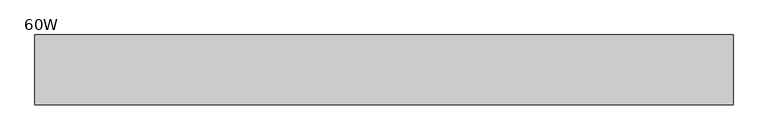
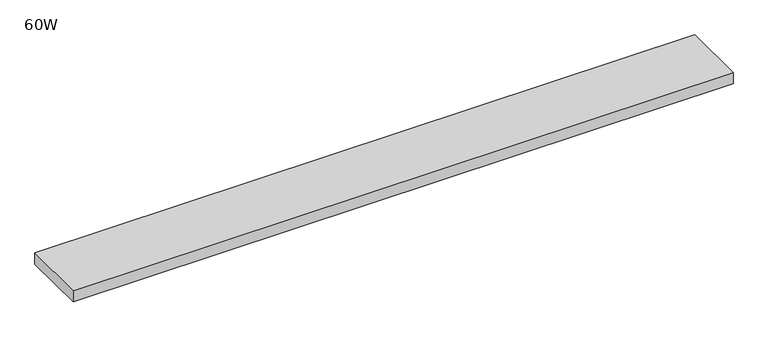
"""IFC4 building model written with IfcOpenShell, lengths in millimetres: furniture geometry, 60W."""

import ifcopenshell
import ifcopenshell.guid

model = None  # the IFC model being written
_history = None  # IfcOwnerHistory: only IFC2X3 demands one
_inside = {}  # id of a spatial element -> (the spatial element, [elements in it])
_under = {}  # id of a project, library or spatial element -> (it, [spatial elements below it])
_declared = {}  # id of a project -> (the project, [libraries it declares])
_typed = {}  # id of a type object -> (the type object, [elements of that type])
_made_of = {}  # id of a material, layer set ... -> (it, [elements and type objects made of it])


def new_model(schema):
    """Start an empty IFC model of exactly this schema.

    Asked for "IFC4X3", IfcOpenShell would pick the latest addendum, in which some entities
    have other attributes; the version numbers below select the first issue.
    IFC2X3 requires an IfcOwnerHistory on every rooted entity: one is made here for all.
    """
    global model, _history
    if schema == "IFC4X3":
        model = ifcopenshell.file(schema_version=(4, 3, 0, 0))
    else:
        model = ifcopenshell.file(schema=schema)
    _inside.clear()
    _under.clear()
    _declared.clear()
    _typed.clear()
    _made_of.clear()
    _history = None
    if model.schema == "IFC2X3":
        org = make("IfcOrganization", Name="unknown")
        user = make(
            "IfcPersonAndOrganization",
            ThePerson=make("IfcPerson", FamilyName="unknown"),
            TheOrganization=org,
        )
        app = make(
            "IfcApplication",
            ApplicationDeveloper=org,
            Version="unknown",
            ApplicationFullName="unknown",
            ApplicationIdentifier="unknown",
        )
        _history = make(
            "IfcOwnerHistory",
            OwningUser=user,
            OwningApplication=app,
            ChangeAction="ADDED",
            CreationDate=0,
        )
    return model


def make(cls, **values):
    """One entity of the class cls with the attributes given. An attribute that is None is left unset."""
    return model.create_entity(
        cls, **{name: value for name, value in values.items() if value is not None}
    )


def rooted(cls, **values):
    """An entity with a GlobalId (a new one), such as an element, a storey or a relation."""
    return make(cls, GlobalId=ifcopenshell.guid.new(), OwnerHistory=_history, **values)


def si_unit(unit_type, name, prefix=None):
    """IfcSIUnit, for example si_unit("LENGTHUNIT", "METRE", prefix="MILLI")."""
    return make("IfcSIUnit", UnitType=unit_type, Prefix=prefix, Name=name)


def assignment(units):
    """IfcUnitAssignment: the units of a project."""
    return None if units is None else make("IfcUnitAssignment", Units=units)


def point(xyz):
    """IfcCartesianPoint."""
    return None if xyz is None else make("IfcCartesianPoint", Coordinates=xyz)


def direction(xyz):
    """IfcDirection."""
    return None if xyz is None else make("IfcDirection", DirectionRatios=xyz)


def frame(location, z_axis=None, x_axis=None):
    """IfcAxis2Placement3D, a coordinate frame: its origin and axes. An axis left out is left unset."""
    return make(
        "IfcAxis2Placement3D",
        Location=point(location),
        Axis=direction(z_axis),
        RefDirection=direction(x_axis),
    )


def origin():
    """The frame at (0, 0, 0) with its axes left unset."""
    return frame((0.0, 0.0, 0.0))


def place(relative_to, where):
    """IfcLocalPlacement: puts the frame where relative to a parent placement (None: the world)."""
    return make(
        "IfcLocalPlacement", PlacementRelTo=relative_to, RelativePlacement=where
    )


def context(
    kind, dimensions, precision=None, world=None, true_north=None, identifier=None
):
    """IfcGeometricRepresentationContext, for example the 3D "Model" context."""
    return make(
        "IfcGeometricRepresentationContext",
        ContextIdentifier=identifier,
        ContextType=kind,
        CoordinateSpaceDimension=dimensions,
        Precision=precision,
        WorldCoordinateSystem=world,
        TrueNorth=true_north,
    )


def project(units=None, contexts=None):
    """IfcProject with its units and contexts."""
    return rooted(
        "IfcProject",
        Name="project",
        RepresentationContexts=contexts,
        UnitsInContext=assignment(units),
    )


def spatial(cls, under=None, at=None, **own):
    """A site, building, storey or space (cls), placed at a placement, below another one or the project."""
    s = rooted(cls, ObjectPlacement=at, **own)
    if under is not None:
        _under.setdefault(under.id(), (under, []))[1].append(s)
    return s


def polyline(points):
    """IfcPolyline through the points."""
    return make("IfcPolyline", Points=[point(p) for p in points])


def outline(outer, holes=None, kind="AREA"):
    """IfcArbitraryClosedProfileDef: a profile drawn as a closed curve; with holes, ...WithVoids."""
    if holes is None:
        return make("IfcArbitraryClosedProfileDef", ProfileType=kind, OuterCurve=outer)
    return make(
        "IfcArbitraryProfileDefWithVoids",
        ProfileType=kind,
        OuterCurve=outer,
        InnerCurves=holes,
    )


def extrude(swept, where, along, depth):
    """IfcExtrudedAreaSolid: the profile swept, set in the frame where, extruded along a direction by depth."""
    return make(
        "IfcExtrudedAreaSolid",
        SweptArea=swept,
        Position=where,
        ExtrudedDirection=direction(along),
        Depth=depth,
    )


def shape(context_of_items, identifier, shape_type, items):
    """IfcShapeRepresentation: the items that make up one representation, for example the "Body"."""
    return make(
        "IfcShapeRepresentation",
        ContextOfItems=context_of_items,
        RepresentationIdentifier=identifier,
        RepresentationType=shape_type,
        Items=items,
    )


def source(mapping_origin, context_of_items, identifier, shape_type, items):
    """IfcRepresentationMap: a shape defined once, which mapped items show again and again."""
    return make(
        "IfcRepresentationMap",
        MappingOrigin=mapping_origin,
        MappedRepresentation=shape(context_of_items, identifier, shape_type, items),
    )


def transform(
    local_origin,
    x_axis=None,
    y_axis=None,
    z_axis=None,
    scale=None,
    scale2=None,
    scale3=None,
    uniform=True,
):
    """IfcCartesianTransformationOperator3D, or its non-uniform kind. x_axis, y_axis, z_axis: its Axis1, 2, 3."""
    if uniform:
        return make(
            "IfcCartesianTransformationOperator3D",
            Axis1=direction(x_axis),
            Axis2=direction(y_axis),
            LocalOrigin=point(local_origin),
            Scale=scale,
            Axis3=direction(z_axis),
        )
    return make(
        "IfcCartesianTransformationOperator3DnonUniform",
        Axis1=direction(x_axis),
        Axis2=direction(y_axis),
        LocalOrigin=point(local_origin),
        Scale=scale,
        Axis3=direction(z_axis),
        Scale2=scale2,
        Scale3=scale3,
    )


def mapped(mapping_source, mapping_target):
    """IfcMappedItem: shows the shape of a source again, moved by a transform."""
    return make(
        "IfcMappedItem", MappingSource=mapping_source, MappingTarget=mapping_target
    )


def made_of(thing, what):
    """Note that an element or type object is made of a material, layer set ...; save() writes the relation."""
    if what is not None:
        _made_of.setdefault(what.id(), (what, []))[1].append(thing)
    return thing


def element(
    cls,
    number,
    at=None,
    inside=None,
    cuts=None,
    type_object=None,
    material=None,
    context=None,
    identifier="Body",
    shape_type=None,
    held_by="IfcProductDefinitionShape",
    body=None,
    shapes=None,
    **own,
):
    """One element of the class cls, such as IfcWall. Its Tag is "e" and its number.

    at: its placement. inside: the storey or other place that contains it. cuts: it is an
    opening in that element (IfcRelVoidsElement). A single representation is given by context,
    identifier, shape_type and body (its items); several are given by shapes. held_by: the class
    of the entity that holds the representations. save() writes the other relations.
    """
    e = rooted(cls, Tag="e%d" % number, ObjectPlacement=at, **own)
    if body is not None:
        shapes = [shape(context, identifier, shape_type, body)]
    if shapes is not None:
        e.Representation = make(held_by, Representations=shapes)
    if inside is not None:
        _inside.setdefault(inside.id(), (inside, []))[1].append(e)
    if cuts is not None:
        rooted(
            "IfcRelVoidsElement", RelatingBuildingElement=cuts, RelatedOpeningElement=e
        )
    if type_object is not None:
        _typed.setdefault(type_object.id(), (type_object, []))[1].append(e)
    return made_of(e, material)


def aggregate(whole, parts):
    """IfcRelAggregates: a whole, such as a stair, and the parts it consists of."""
    return rooted("IfcRelAggregates", RelatingObject=whole, RelatedObjects=parts)


def save(model, path):
    """Write the relations noted so far, then the file.

    IfcRelAggregates (storeys below a building ...), IfcRelContainedInSpatialStructure (elements
    in a storey), IfcRelDefinesByType, IfcRelAssociatesMaterial and IfcRelDeclares: one each for
    every whole, place, type object, material and project.
    """
    for whole, parts in _under.values():
        aggregate(whole, parts)
    for where, things in _inside.values():
        rooted(
            "IfcRelContainedInSpatialStructure",
            RelatedElements=things,
            RelatingStructure=where,
        )
    for kind, things in _typed.values():
        rooted("IfcRelDefinesByType", RelatedObjects=things, RelatingType=kind)
    for what, things in _made_of.values():
        rooted("IfcRelAssociatesMaterial", RelatedObjects=things, RelatingMaterial=what)
    for by, libraries in _declared.values():
        rooted("IfcRelDeclares", RelatingContext=by, RelatedDefinitions=libraries)
    model.write(path)


def furniture_60w_4378c50d(model_context):
    return source(origin(), model_context, "Body", "SweptSolid", [
        extrude(outline(polyline([(1524.0, 0.0), (1524.0, -152.4), (0.0, -152.4), (0.0, 0.0), (1524.0, 0.0)])), frame((0.0, 0.0, 1123.95), z_axis=(0.0, 0.0, 1.0), x_axis=(1.0, 0.0, 0.0)), (0.0, 0.0, 1.0), 26.924),
    ])


if __name__ == "__main__":
    model = new_model("IFC4")
    model_context = context("Model", 3, world=origin())
    ifc_project = project(units=[si_unit("LENGTHUNIT", "METRE", prefix="MILLI")], contexts=[model_context])
    site = spatial("IfcSite", under=ifc_project)
    building = spatial("IfcBuilding", under=site)
    placement = place(None, origin())
    furniture_60w_shape = furniture_60w_4378c50d(model_context)
    element("IfcFurniture", 1, ObjectType="60W", at=placement, inside=building, context=model_context, shape_type="MappedRepresentation", body=[
        mapped(furniture_60w_shape, transform((0.0, 0.0, 0.0), x_axis=(1.0, 0.0, 0.0), y_axis=(0.0, 1.0, 0.0), z_axis=(0.0, 0.0, 1.0))),
    ])
    save(model, "model.ifc")
